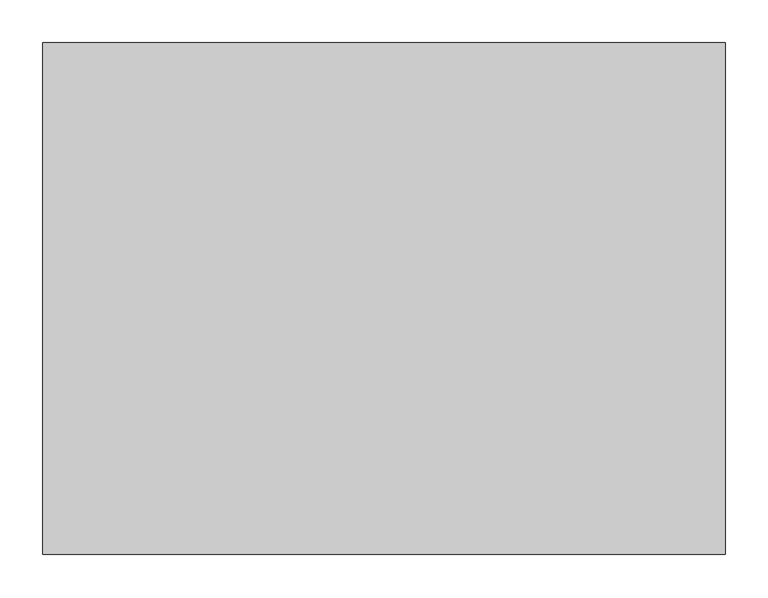
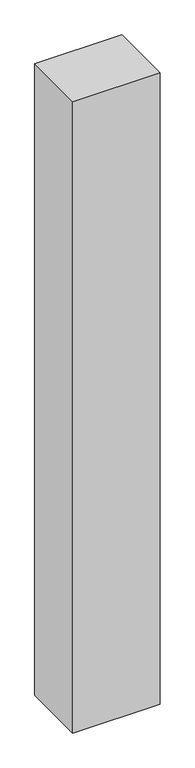
"""IFC4 building model written with IfcOpenShell, lengths in millimetres: proxy geometry."""

from ifc_helpers import new_model, si_unit, origin, origin_with_axes, place, context, project, spatial, polyline, outline, extrude, source, transform, mapped, element, save


def generic_models_3f8fbe21(model_context):
    return source(origin(), model_context, "Body", "SweptSolid", [
        extrude(outline(polyline([(800.0, 600.0), (800.0, 0.0), (0.0, 0.0), (0.0, 600.0), (800.0, 600.0)])), origin_with_axes(), (0.0, 0.0, 1.0), 6100.0),
    ])


if __name__ == "__main__":
    model = new_model("IFC4")
    model_context = context("Model", 3, world=origin())
    ifc_project = project(units=[si_unit("LENGTHUNIT", "METRE", prefix="MILLI")], contexts=[model_context])
    site = spatial("IfcSite", under=ifc_project)
    building = spatial("IfcBuilding", under=site)
    placement = place(None, origin())
    generic_models_shape = generic_models_3f8fbe21(model_context)
    element("IfcBuildingElementProxy", 1, Name="Generic Models", at=placement, inside=building, context=model_context, shape_type="MappedRepresentation", body=[
        mapped(generic_models_shape, transform((0.0, 0.0, 0.0), x_axis=(1.0, 0.0, 0.0), y_axis=(0.0, 1.0, 0.0), z_axis=(0.0, 0.0, 1.0))),
    ])
    save(model, "model.ifc")
